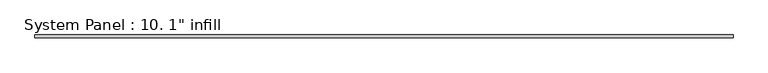
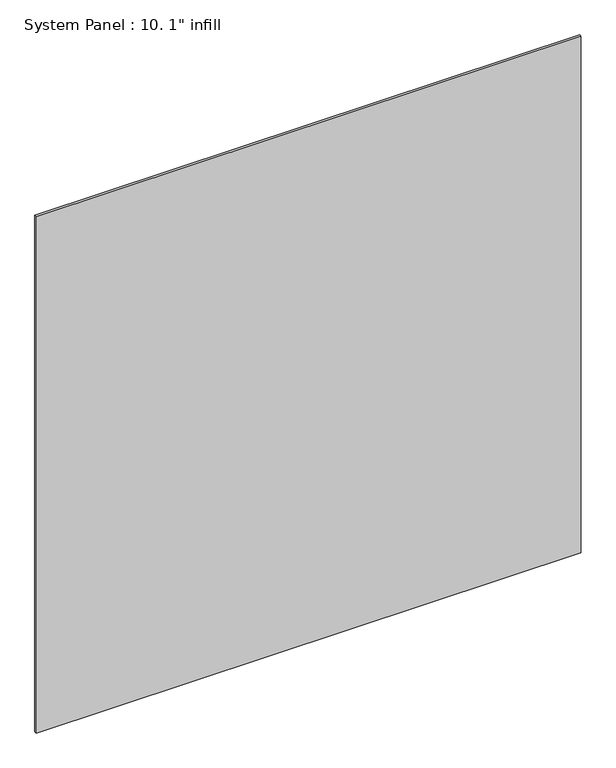
"""IFC4 building model written with IfcOpenShell, lengths in millimetres: plate geometry."""

from ifc_helpers import new_model, si_unit, origin, origin_with_axes, place, context, project, spatial, polyline, outline, extrude, source, transform, mapped, element, save


def plate_f16b3842(model_context):
    return source(origin(), model_context, "Body", "SweptSolid", [
        extrude(outline(polyline([(3001.9532433, -12.7), (-3001.9532433, -12.7), (-3001.9532433, 12.7), (3001.9532433, 12.7), (3001.9532433, -12.7)])), origin_with_axes(), (0.0, 0.0, 1.0), 6010.275),
    ])


if __name__ == "__main__":
    model = new_model("IFC4")
    model_context = context("Model", 3, world=origin())
    ifc_project = project(units=[si_unit("LENGTHUNIT", "METRE", prefix="MILLI")], contexts=[model_context])
    site = spatial("IfcSite", under=ifc_project)
    building = spatial("IfcBuilding", under=site)
    placement = place(None, origin())
    plate_shape = plate_f16b3842(model_context)
    element("IfcPlate", 1, ObjectType="System Panel : 10. 1\" infill", at=placement, inside=building, context=model_context, shape_type="MappedRepresentation", body=[
        mapped(plate_shape, transform((0.0, 0.0, 0.0), x_axis=(1.0, 0.0, 0.0), y_axis=(0.0, 1.0, 0.0), z_axis=(0.0, 0.0, 1.0))),
    ])
    save(model, "model.ifc")
